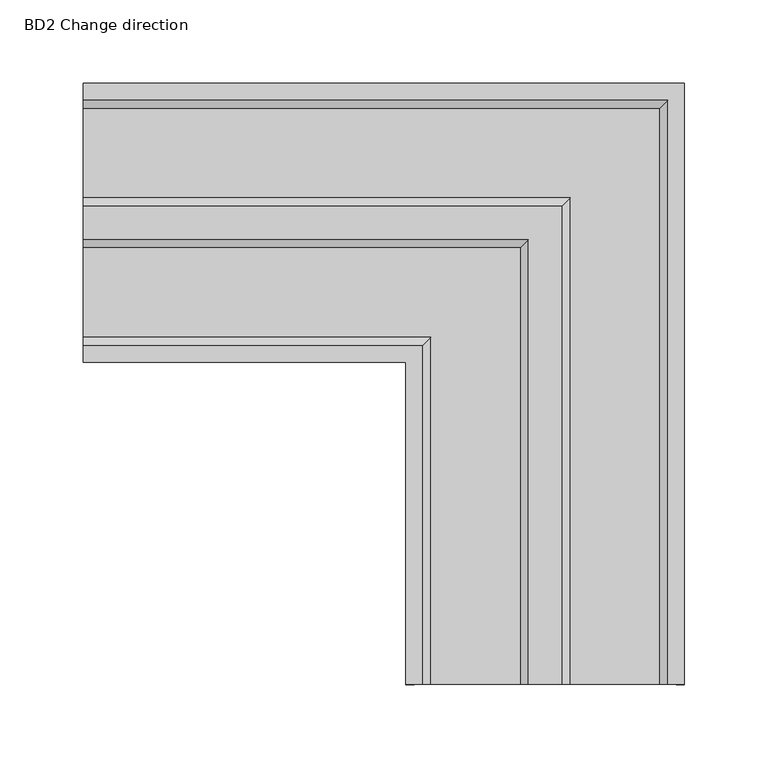
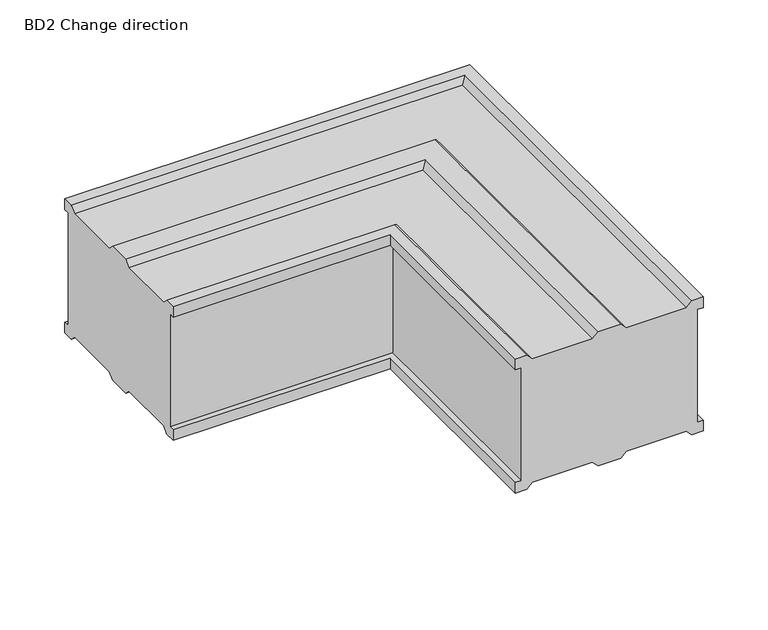
"""IFC4 building model written with IfcOpenShell, lengths in millimetres: proxy geometry, BD2 Change direction."""

from ifc_helpers import new_model, si_unit, origin, place, context, project, spatial, faceted_brep, source, transform, mapped, element, save


def bd2_change_direction_ace0dc37(model_context):
    return source(origin(), model_context, "Body", "Brep", [
        faceted_brep([(0.0, 167.0, 126.0), (0.0, 167.0, 116.0), (0.0, 162.0, 116.0), (0.0, 162.0, 10.0), (0.0, 167.0, 10.0), (0.0, 167.0, 0.0), (0.0, 157.0, 0.0), (0.0, 152.0, 5.0), (0.0, 98.5, 5.0), (0.0, 93.5, 0.0), (0.0, 73.5, 0.0), (0.0, 68.5, 5.0), (0.0, 15.0, 5.0), (0.0, 10.0, 0.0), (0.0, 0.0, 0.0), (0.0, 0.0, 10.0), (0.0, 5.0, 10.0), (0.0, 5.0, 116.0), (0.0, 0.0, 116.0), (0.0, 0.0, 126.0), (0.0, 10.0, 126.0), (0.0, 15.0, 121.0), (0.0, 68.5, 121.0), (0.0, 73.5, 126.0), (0.0, 93.5, 126.0), (0.0, 98.5, 121.0), (0.0, 152.0, 121.0), (0.0, 157.0, 126.0), (360.0, -193.0, 126.0), (350.0, -193.0, 126.0), (345.0, -193.0, 121.0), (291.5, -193.0, 121.0), (286.5, -193.0, 126.0), (266.5, -193.0, 126.0), (261.5, -193.0, 121.0), (208.0, -193.0, 121.0), (203.0, -193.0, 126.0), (193.0, -193.0, 126.0), (193.0, -193.0, 116.0), (198.0, -193.0, 116.0), (198.0, -193.0, 10.0), (193.0, -193.0, 10.0), (193.0, -193.0, 0.0), (203.0, -193.0, 0.0), (208.0, -193.0, 5.0), (261.5, -193.0, 5.0), (266.5, -193.0, 0.0), (286.5, -193.0, 0.0), (291.5, -193.0, 5.0), (345.0, -193.0, 5.0), (350.0, -193.0, 0.0), (360.0, -193.0, 0.0), (360.0, -193.0, 10.0), (355.0, -193.0, 10.0), (355.0, -193.0, 116.0), (360.0, -193.0, 116.0), (360.0, 167.0, 126.0), (360.0, 167.0, 116.0), (355.0, 162.0, 116.0), (355.0, 162.0, 10.0), (360.0, 167.0, 10.0), (360.0, 167.0, 0.0), (350.0, 157.0, 0.0), (345.0, 152.0, 5.0), (291.5, 98.5, 5.0), (286.5, 93.5, 0.0), (266.5, 73.5, 0.0), (261.5, 68.5, 5.0), (208.0, 15.0, 5.0), (203.0, 10.0, 0.0), (193.0, 0.0, 0.0), (193.0, 0.0, 10.0), (198.0, 5.0, 10.0), (198.0, 5.0, 116.0), (193.0, 0.0, 116.0), (193.0, 0.0, 126.0), (203.0, 10.0, 126.0), (208.0, 15.0, 121.0), (261.5, 68.5, 121.0), (266.5, 73.5, 126.0), (286.5, 93.5, 126.0), (291.5, 98.5, 121.0), (345.0, 152.0, 121.0), (350.0, 157.0, 126.0)], [[[0, 1, 2, 3, 4, 5, 6, 7, 8, 9, 10, 11, 12, 13, 14, 15, 16, 17, 18, 19, 20, 21, 22, 23, 24, 25, 26, 27]], [[28, 29, 30, 31, 32, 33, 34, 35, 36, 37, 38, 39, 40, 41, 42, 43, 44, 45, 46, 47, 48, 49, 50, 51, 52, 53, 54, 55]], [[1, 0, 56, 57]], [[2, 1, 57, 55, 54, 58]], [[3, 2, 58, 59]], [[4, 3, 59, 53, 52, 60]], [[5, 4, 60, 61]], [[6, 5, 61, 51, 50, 62]], [[7, 6, 62, 63]], [[8, 7, 63, 49, 48, 64]], [[9, 8, 64, 65]], [[10, 9, 65, 47, 46, 66]], [[11, 10, 66, 67]], [[12, 11, 67, 45, 44, 68]], [[13, 12, 68, 69]], [[14, 13, 69, 43, 42, 70]], [[15, 14, 70, 71]], [[16, 15, 71, 41, 40, 72]], [[17, 16, 72, 73]], [[18, 17, 73, 39, 38, 74]], [[19, 18, 74, 75]], [[20, 19, 75, 37, 36, 76]], [[21, 20, 76, 77]], [[22, 21, 77, 35, 34, 78]], [[23, 22, 78, 79]], [[24, 23, 79, 33, 32, 80]], [[25, 24, 80, 81]], [[26, 25, 81, 31, 30, 82]], [[27, 26, 82, 83]], [[0, 27, 83, 29, 28, 56]], [[57, 56, 28, 55]], [[59, 58, 54, 53]], [[61, 60, 52, 51]], [[63, 62, 50, 49]], [[65, 64, 48, 47]], [[67, 66, 46, 45]], [[69, 68, 44, 43]], [[71, 70, 42, 41]], [[73, 72, 40, 39]], [[75, 74, 38, 37]], [[77, 76, 36, 35]], [[79, 78, 34, 33]], [[81, 80, 32, 31]], [[83, 82, 30, 29]]]),
    ])


if __name__ == "__main__":
    model = new_model("IFC4")
    model_context = context("Model", 3, world=origin())
    ifc_project = project(units=[si_unit("LENGTHUNIT", "METRE", prefix="MILLI")], contexts=[model_context])
    site = spatial("IfcSite", under=ifc_project)
    building = spatial("IfcBuilding", under=site)
    placement = place(None, origin())
    bd2_change_direction_shape = bd2_change_direction_ace0dc37(model_context)
    element("IfcBuildingElementProxy", 1, Name="BD2 Change direction", ObjectType="BD2 Change direction", at=placement, inside=building, context=model_context, shape_type="MappedRepresentation", body=[
        mapped(bd2_change_direction_shape, transform((0.0, 0.0, 0.0), x_axis=(1.0, 0.0, 0.0), y_axis=(0.0, 1.0, 0.0), z_axis=(0.0, 0.0, 1.0))),
    ])
    save(model, "model.ifc")
